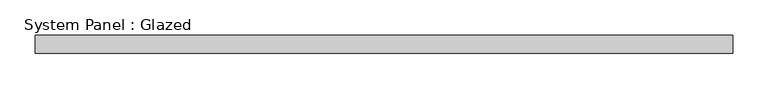
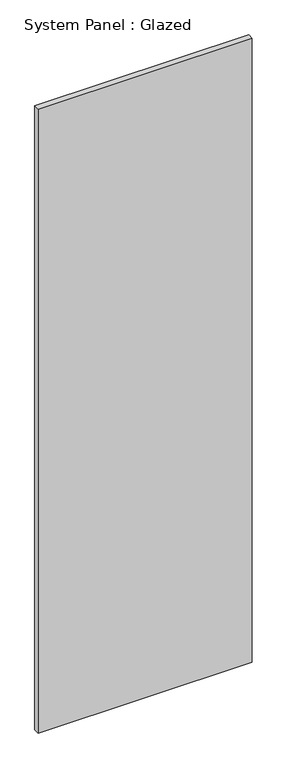
"""IFC4 building model written with IfcOpenShell, lengths in millimetres: plate geometry, System Panel : Glazed."""

from ifc_helpers import new_model, si_unit, origin, origin_with_axes, place, context, project, spatial, polyline, outline, extrude, source, transform, mapped, element, save


def system_panel_glazed_ee91c376(model_context):
    return source(origin(), model_context, "Body", "SweptSolid", [
        extrude(outline(polyline([(494.0101563, 19.05), (-494.0101563, 19.05), (-494.0101563, 44.45), (494.0101563, 44.45), (494.0101563, 19.05)])), origin_with_axes(), (0.0, 0.0, 1.0), 3041.65),
    ])


if __name__ == "__main__":
    model = new_model("IFC4")
    model_context = context("Model", 3, world=origin())
    ifc_project = project(units=[si_unit("LENGTHUNIT", "METRE", prefix="MILLI")], contexts=[model_context])
    site = spatial("IfcSite", under=ifc_project)
    building = spatial("IfcBuilding", under=site)
    placement = place(None, origin())
    system_panel_glazed_shape = system_panel_glazed_ee91c376(model_context)
    element("IfcPlate", 1, ObjectType="System Panel : Glazed", at=placement, inside=building, context=model_context, shape_type="MappedRepresentation", body=[
        mapped(system_panel_glazed_shape, transform((0.0, 0.0, 0.0), x_axis=(1.0, 0.0, 0.0), y_axis=(0.0, 1.0, 0.0), z_axis=(0.0, 0.0, 1.0))),
    ])
    save(model, "model.ifc")
